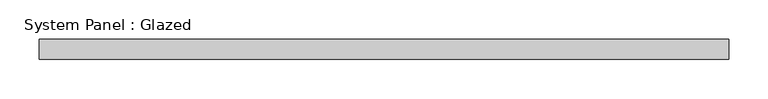
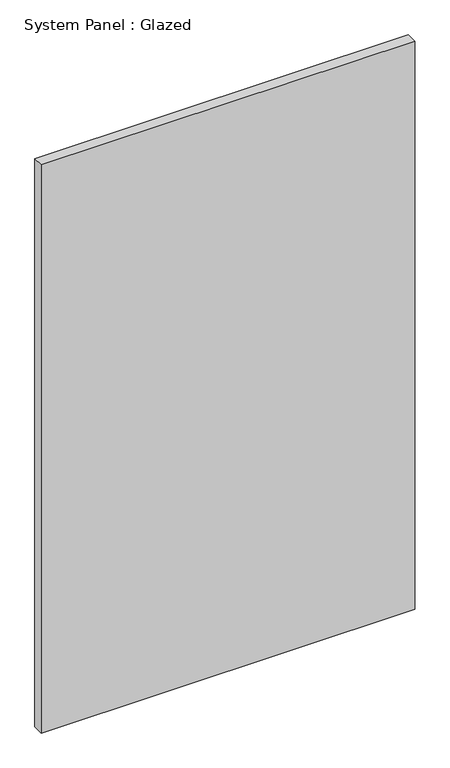
"""IFC4 building model written with IfcOpenShell, lengths in millimetres: plate geometry, System Panel : Glazed."""

from ifc_helpers import new_model, si_unit, origin, origin_with_axes, place, context, project, spatial, polyline, outline, extrude, source, transform, mapped, element, save


def system_panel_glazed_11a50855(model_context):
    return source(origin(), model_context, "Body", "SweptSolid", [
        extrude(outline(polyline([(438.15, -44.45), (-438.15, -44.45), (-438.15, -19.05), (438.15, -19.05), (438.15, -44.45)])), origin_with_axes(), (0.0, 0.0, 1.0), 1409.7),
    ])


if __name__ == "__main__":
    model = new_model("IFC4")
    model_context = context("Model", 3, world=origin())
    ifc_project = project(units=[si_unit("LENGTHUNIT", "METRE", prefix="MILLI")], contexts=[model_context])
    site = spatial("IfcSite", under=ifc_project)
    building = spatial("IfcBuilding", under=site)
    placement = place(None, origin())
    system_panel_glazed_shape = system_panel_glazed_11a50855(model_context)
    element("IfcPlate", 1, ObjectType="System Panel : Glazed", at=placement, inside=building, context=model_context, shape_type="MappedRepresentation", body=[
        mapped(system_panel_glazed_shape, transform((0.0, 0.0, 0.0), x_axis=(1.0, 0.0, 0.0), y_axis=(0.0, 1.0, 0.0), z_axis=(0.0, 0.0, 1.0))),
    ])
    save(model, "model.ifc")
